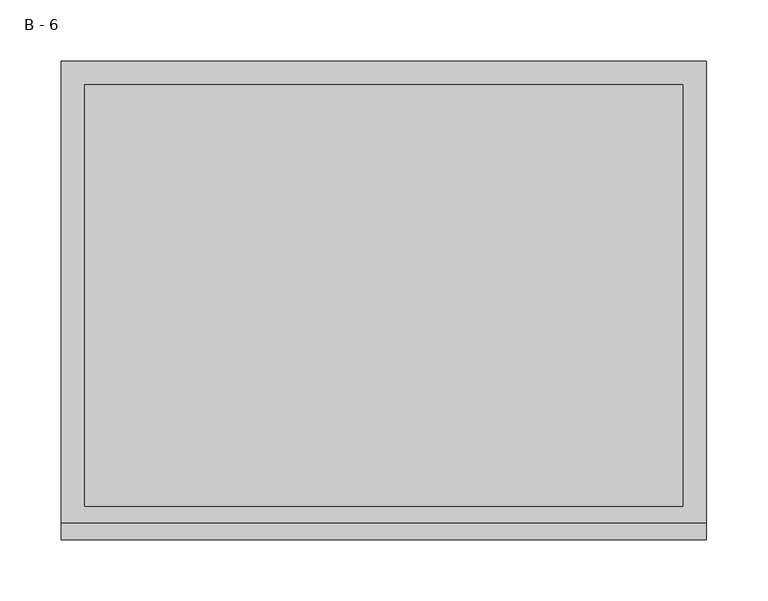
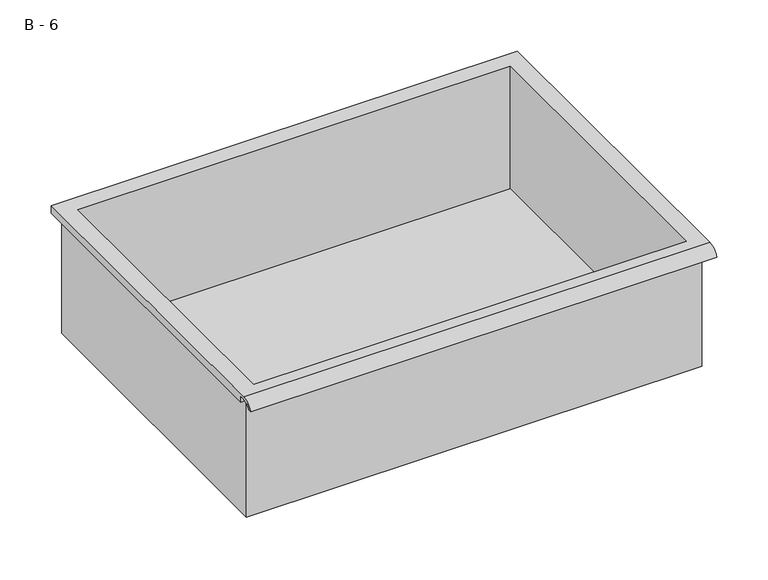
"""IFC4 building model written with IfcOpenShell, lengths in millimetres: furniture geometry, B - 6."""

import ifcopenshell
import ifcopenshell.guid

model = None  # the IFC model being written
_history = None  # IfcOwnerHistory: only IFC2X3 demands one
_inside = {}  # id of a spatial element -> (the spatial element, [elements in it])
_under = {}  # id of a project, library or spatial element -> (it, [spatial elements below it])
_declared = {}  # id of a project -> (the project, [libraries it declares])
_typed = {}  # id of a type object -> (the type object, [elements of that type])
_made_of = {}  # id of a material, layer set ... -> (it, [elements and type objects made of it])


def new_model(schema):
    """Start an empty IFC model of exactly this schema.

    Asked for "IFC4X3", IfcOpenShell would pick the latest addendum, in which some entities
    have other attributes; the version numbers below select the first issue.
    IFC2X3 requires an IfcOwnerHistory on every rooted entity: one is made here for all.
    """
    global model, _history
    if schema == "IFC4X3":
        model = ifcopenshell.file(schema_version=(4, 3, 0, 0))
    else:
        model = ifcopenshell.file(schema=schema)
    _inside.clear()
    _under.clear()
    _declared.clear()
    _typed.clear()
    _made_of.clear()
    _history = None
    if model.schema == "IFC2X3":
        org = make("IfcOrganization", Name="unknown")
        user = make(
            "IfcPersonAndOrganization",
            ThePerson=make("IfcPerson", FamilyName="unknown"),
            TheOrganization=org,
        )
        app = make(
            "IfcApplication",
            ApplicationDeveloper=org,
            Version="unknown",
            ApplicationFullName="unknown",
            ApplicationIdentifier="unknown",
        )
        _history = make(
            "IfcOwnerHistory",
            OwningUser=user,
            OwningApplication=app,
            ChangeAction="ADDED",
            CreationDate=0,
        )
    return model


def make(cls, **values):
    """One entity of the class cls with the attributes given. An attribute that is None is left unset."""
    return model.create_entity(
        cls, **{name: value for name, value in values.items() if value is not None}
    )


def rooted(cls, **values):
    """An entity with a GlobalId (a new one), such as an element, a storey or a relation."""
    return make(cls, GlobalId=ifcopenshell.guid.new(), OwnerHistory=_history, **values)


def si_unit(unit_type, name, prefix=None):
    """IfcSIUnit, for example si_unit("LENGTHUNIT", "METRE", prefix="MILLI")."""
    return make("IfcSIUnit", UnitType=unit_type, Prefix=prefix, Name=name)


def assignment(units):
    """IfcUnitAssignment: the units of a project."""
    return None if units is None else make("IfcUnitAssignment", Units=units)


def point(xyz):
    """IfcCartesianPoint."""
    return None if xyz is None else make("IfcCartesianPoint", Coordinates=xyz)


def direction(xyz):
    """IfcDirection."""
    return None if xyz is None else make("IfcDirection", DirectionRatios=xyz)


def frame(location, z_axis=None, x_axis=None):
    """IfcAxis2Placement3D, a coordinate frame: its origin and axes. An axis left out is left unset."""
    return make(
        "IfcAxis2Placement3D",
        Location=point(location),
        Axis=direction(z_axis),
        RefDirection=direction(x_axis),
    )


def origin():
    """The frame at (0, 0, 0) with its axes left unset."""
    return frame((0.0, 0.0, 0.0))


def place(relative_to, where):
    """IfcLocalPlacement: puts the frame where relative to a parent placement (None: the world)."""
    return make(
        "IfcLocalPlacement", PlacementRelTo=relative_to, RelativePlacement=where
    )


def context(
    kind, dimensions, precision=None, world=None, true_north=None, identifier=None
):
    """IfcGeometricRepresentationContext, for example the 3D "Model" context."""
    return make(
        "IfcGeometricRepresentationContext",
        ContextIdentifier=identifier,
        ContextType=kind,
        CoordinateSpaceDimension=dimensions,
        Precision=precision,
        WorldCoordinateSystem=world,
        TrueNorth=true_north,
    )


def project(units=None, contexts=None):
    """IfcProject with its units and contexts."""
    return rooted(
        "IfcProject",
        Name="project",
        RepresentationContexts=contexts,
        UnitsInContext=assignment(units),
    )


def spatial(cls, under=None, at=None, **own):
    """A site, building, storey or space (cls), placed at a placement, below another one or the project."""
    s = rooted(cls, ObjectPlacement=at, **own)
    if under is not None:
        _under.setdefault(under.id(), (under, []))[1].append(s)
    return s


def polyline(points):
    """IfcPolyline through the points."""
    return make("IfcPolyline", Points=[point(p) for p in points])


def circle_curve(where, radius):
    """IfcCircle in the frame where."""
    return make("IfcCircle", Position=where, Radius=radius)


def shape(context_of_items, identifier, shape_type, items):
    """IfcShapeRepresentation: the items that make up one representation, for example the "Body"."""
    return make(
        "IfcShapeRepresentation",
        ContextOfItems=context_of_items,
        RepresentationIdentifier=identifier,
        RepresentationType=shape_type,
        Items=items,
    )


def source(mapping_origin, context_of_items, identifier, shape_type, items):
    """IfcRepresentationMap: a shape defined once, which mapped items show again and again."""
    return make(
        "IfcRepresentationMap",
        MappingOrigin=mapping_origin,
        MappedRepresentation=shape(context_of_items, identifier, shape_type, items),
    )


def transform(
    local_origin,
    x_axis=None,
    y_axis=None,
    z_axis=None,
    scale=None,
    scale2=None,
    scale3=None,
    uniform=True,
):
    """IfcCartesianTransformationOperator3D, or its non-uniform kind. x_axis, y_axis, z_axis: its Axis1, 2, 3."""
    if uniform:
        return make(
            "IfcCartesianTransformationOperator3D",
            Axis1=direction(x_axis),
            Axis2=direction(y_axis),
            LocalOrigin=point(local_origin),
            Scale=scale,
            Axis3=direction(z_axis),
        )
    return make(
        "IfcCartesianTransformationOperator3DnonUniform",
        Axis1=direction(x_axis),
        Axis2=direction(y_axis),
        LocalOrigin=point(local_origin),
        Scale=scale,
        Axis3=direction(z_axis),
        Scale2=scale2,
        Scale3=scale3,
    )


def mapped(mapping_source, mapping_target):
    """IfcMappedItem: shows the shape of a source again, moved by a transform."""
    return make(
        "IfcMappedItem", MappingSource=mapping_source, MappingTarget=mapping_target
    )


def made_of(thing, what):
    """Note that an element or type object is made of a material, layer set ...; save() writes the relation."""
    if what is not None:
        _made_of.setdefault(what.id(), (what, []))[1].append(thing)
    return thing


def element(
    cls,
    number,
    at=None,
    inside=None,
    cuts=None,
    type_object=None,
    material=None,
    context=None,
    identifier="Body",
    shape_type=None,
    held_by="IfcProductDefinitionShape",
    body=None,
    shapes=None,
    **own,
):
    """One element of the class cls, such as IfcWall. Its Tag is "e" and its number.

    at: its placement. inside: the storey or other place that contains it. cuts: it is an
    opening in that element (IfcRelVoidsElement). A single representation is given by context,
    identifier, shape_type and body (its items); several are given by shapes. held_by: the class
    of the entity that holds the representations. save() writes the other relations.
    """
    e = rooted(cls, Tag="e%d" % number, ObjectPlacement=at, **own)
    if body is not None:
        shapes = [shape(context, identifier, shape_type, body)]
    if shapes is not None:
        e.Representation = make(held_by, Representations=shapes)
    if inside is not None:
        _inside.setdefault(inside.id(), (inside, []))[1].append(e)
    if cuts is not None:
        rooted(
            "IfcRelVoidsElement", RelatingBuildingElement=cuts, RelatedOpeningElement=e
        )
    if type_object is not None:
        _typed.setdefault(type_object.id(), (type_object, []))[1].append(e)
    return made_of(e, material)


def aggregate(whole, parts):
    """IfcRelAggregates: a whole, such as a stair, and the parts it consists of."""
    return rooted("IfcRelAggregates", RelatingObject=whole, RelatedObjects=parts)


def save(model, path):
    """Write the relations noted so far, then the file.

    IfcRelAggregates (storeys below a building ...), IfcRelContainedInSpatialStructure (elements
    in a storey), IfcRelDefinesByType, IfcRelAssociatesMaterial and IfcRelDeclares: one each for
    every whole, place, type object, material and project.
    """
    for whole, parts in _under.values():
        aggregate(whole, parts)
    for where, things in _inside.values():
        rooted(
            "IfcRelContainedInSpatialStructure",
            RelatedElements=things,
            RelatingStructure=where,
        )
    for kind, things in _typed.values():
        rooted("IfcRelDefinesByType", RelatedObjects=things, RelatingType=kind)
    for what, things in _made_of.values():
        rooted("IfcRelAssociatesMaterial", RelatedObjects=things, RelatingMaterial=what)
    for by, libraries in _declared.values():
        rooted("IfcRelDeclares", RelatingContext=by, RelatedDefinitions=libraries)
    model.write(path)


def plane_surface(at):
    """IfcPlane: the flat surface through the origin of the frame at, square to its z axis."""
    return make("IfcPlane", Position=at)


def cylinder_surface(at, radius):
    """IfcCylindricalSurface: all points at the distance radius from the z axis of the frame at."""
    return make("IfcCylindricalSurface", Position=at, Radius=radius)


def revolved_surface(curve, axis_point, axis_direction):
    """IfcSurfaceOfRevolution: the curve turned about the line through axis_point along axis_direction."""
    return make(
        "IfcSurfaceOfRevolution",
        SweptCurve=make("IfcArbitraryOpenProfileDef", ProfileType="CURVE", Curve=curve),
        AxisPosition=make("IfcAxis1Placement", Location=point(axis_point), Axis=direction(axis_direction)),
    )


def advanced_brep(points, edges, surfaces, faces):
    """IfcAdvancedBrep: a solid bounded by faces that lie on surfaces and meet in shared edges.

    An edge is (start, end): straight between two places in points (the first is 0);
    or (start, end, curve); or (start, end, curve, False) where it runs against its curve.
    A face is (place in surfaces, loops), or (place, loops, False) where it looks against
    its surface's normal. A loop lists edges by number (the first is 1), with a minus sign
    where the edge is run from its end to its start. The first loop is the outer one.
    """
    corners = [point(p) for p in points]
    vertices = [make("IfcVertexPoint", VertexGeometry=c) for c in corners]
    made = []
    for start, end, *more in edges:
        made.append(
            make(
                "IfcEdgeCurve",
                EdgeStart=vertices[start],
                EdgeEnd=vertices[end],
                EdgeGeometry=more[0] if more else make("IfcPolyline", Points=[corners[start], corners[end]]),
                SameSense=more[1] if len(more) > 1 else True,
            )
        )
    hull = []
    for where, loops, *sense in faces:
        bounds = []
        for j, loop in enumerate(loops):
            ring = [make("IfcOrientedEdge", EdgeElement=made[abs(k) - 1], Orientation=k > 0) for k in loop]
            bounds.append(
                make(
                    "IfcFaceOuterBound" if j == 0 else "IfcFaceBound",
                    Bound=make("IfcEdgeLoop", EdgeList=ring),
                    Orientation=True,
                )
            )
        hull.append(make("IfcAdvancedFace", Bounds=bounds, FaceSurface=surfaces[where], SameSense=sense[0] if sense else True))
    return make("IfcAdvancedBrep", Outer=make("IfcClosedShell", CfsFaces=hull))


def b_6_9325e318(model_context):
    return source(origin(), model_context, "Body", "AdvancedBrep", [
        advanced_brep(
        [(-257.1076517, -176.2125, 227.01504), (257.2423483, -176.2125, 227.01504), (257.2423483, -176.2125, 366.71504), (263.5923483, -176.2125, 366.71504), (263.5923483, -176.2125, 373.0221741), (-263.4576517, -176.2125, 373.0221741), (-263.4576517, -176.2125, 366.71504), (-257.1076517, -176.2125, 366.71504), (257.2423483, 185.7375, 227.01504), (-257.1076517, 185.7375, 227.01504), (-257.1076517, 185.7375, 366.71504), (257.2423483, 185.7375, 366.71504), (263.5923483, -181.6070544, 376.24004), (263.5923483, 195.2625, 376.24004), (-263.4576517, 195.2625, 376.24004), (-263.4576517, -181.6070544, 376.24004), (244.5423483, -168.275, 376.24004), (-244.4076517, -168.275, 376.24004), (-244.4076517, 176.2125, 376.24004), (244.5423483, 176.2125, 376.24004), (263.5923483, -195.2625, 366.71504), (263.5923483, -191.8280601, 366.71504), (263.5923483, -180.4714815, 373.0221741), (263.5923483, 195.2625, 366.71504), (-263.4576517, 195.2625, 366.71504), (-263.4576517, -180.4714815, 373.0221741), (-263.4576517, -191.8280601, 366.71504), (-263.4576517, -195.2625, 366.71504), (-244.4076517, -168.275, 230.0412119), (244.5423483, -168.275, 230.0412119), (244.5423483, 176.2125, 230.0412119), (-244.4076517, 176.2125, 230.0412119)],
        [
            (0, 1),
            (1, 2),
            (2, 3),
            (3, 4),
            (4, 5),
            (5, 6),
            (6, 7),
            (7, 0),
            (8, 9),
            (9, 10),
            (10, 11),
            (11, 8),
            (0, 9),
            (8, 1),
            (11, 2),
            (12, 13),
            (13, 14),
            (14, 15),
            (15, 12),
            (16, 17),
            (17, 18),
            (18, 19),
            (19, 16),
            (7, 10),
            (12, 20, circle_curve(frame((263.5923483, -181.6070544, 361.6890259), z_axis=(1.0, 0.0, 0.0), x_axis=(0.0, 1.0, 0.0)), 14.5510141)),
            (20, 21),
            (21, 22, circle_curve(frame((263.5923483, -181.6070544, 361.6890259), z_axis=(-1.0, 0.0, 0.0), x_axis=(0.0, 1.0, 0.0)), 11.3898979)),
            (22, 4),
            (3, 23),
            (23, 13),
            (14, 24),
            (24, 6),
            (5, 25),
            (25, 26, circle_curve(frame((-263.4576517, -181.6070544, 361.6890259), z_axis=(1.0, 0.0, 0.0), x_axis=(0.0, 1.0, 0.0)), 11.3898979)),
            (26, 27),
            (27, 15, circle_curve(frame((-263.4576517, -181.6070544, 361.6890259), z_axis=(-1.0, 0.0, 0.0), x_axis=(0.0, 1.0, 0.0)), 14.5510141)),
            (27, 20),
            (26, 21),
            (25, 22),
            (24, 23),
            (28, 29),
            (29, 30),
            (30, 31),
            (31, 28),
            (28, 17),
            (16, 29),
            (19, 30),
            (18, 31),
        ],
        [
            plane_surface(frame((257.2423483, -176.2125, 227.01504), z_axis=(0.0, -1.0, 0.0), x_axis=(1.0, 0.0, 0.0))),
            plane_surface(frame((257.2423483, 185.7375, 227.01504), z_axis=(0.0, 1.0, 0.0), x_axis=(-1.0, 0.0, 0.0))),
            plane_surface(frame((-257.1076517, -176.2125, 227.01504), z_axis=(0.0, 0.0, -1.0), x_axis=(0.0, 1.0, 0.0))),
            plane_surface(frame((257.2423483, -176.2125, 227.01504), z_axis=(1.0, 0.0, 0.0), x_axis=(0.0, 1.0, 0.0))),
            plane_surface(frame((257.2423483, -176.2125, 376.24004), z_axis=(0.0, 0.0, 1.0), x_axis=(0.0, 1.0, 0.0))),
            plane_surface(frame((-257.1076517, -176.2125, 376.24004), z_axis=(-1.0, 0.0, 0.0), x_axis=(0.0, 1.0, 0.0))),
            plane_surface(frame((263.5923483, 195.2625, 376.24004), z_axis=(1.0, 0.0, 0.0), x_axis=(0.0, -1.0, 0.0))),
            plane_surface(frame((-263.4576517, 195.2625, 376.24004), z_axis=(-1.0, 0.0, 0.0), x_axis=(0.0, 1.0, 0.0))),
            cylinder_surface(frame((-263.4576517, -181.6070544, 361.6890259), z_axis=(1.0, 0.0, 0.0), x_axis=(0.0, 1.0, 0.0)), 14.5510141),
            plane_surface(frame((263.5923483, -195.2625, 366.71504), z_axis=(0.0, -7.271527215961243e-12, -1.0), x_axis=(-1.0, 0.0, 0.0))),
            revolved_surface(polyline([(-263.4576517, -170.21715650000002, 361.6890259), (263.59234829999997, -170.21715650000002, 361.6890259)]), (-263.4576517, -181.6070544, 361.6890259), (-1.0, 0.0, 0.0)),
            plane_surface(frame((263.5923483, -180.4714815, 373.0221741), z_axis=(0.0, -1.800442867376691e-11, -1.0), x_axis=(-1.0, 0.0, 0.0))),
            plane_surface(frame((263.5923483, -176.2125, 366.71504), z_axis=(0.0, 0.0, -1.0), x_axis=(-1.0, 0.0, 0.0))),
            plane_surface(frame((263.5923483, 195.2625, 366.71504), z_axis=(0.0, 1.0, 0.0), x_axis=(-1.0, 0.0, 0.0))),
            plane_surface(frame((244.5423483, -168.275, 230.0412119), z_axis=(0.0, 0.0, 1.0), x_axis=(-1.0, 0.0, 0.0))),
            plane_surface(frame((-244.4076517, -168.275, 376.24004), z_axis=(0.0, 1.0, 0.0), x_axis=(0.0, 0.0, -1.0))),
            plane_surface(frame((244.5423483, -168.275, 376.24004), z_axis=(-1.0, 0.0, 0.0), x_axis=(0.0, 0.0, -1.0))),
            plane_surface(frame((244.5423483, 176.2125, 376.24004), z_axis=(0.0, -1.0, 0.0), x_axis=(0.0, 0.0, -1.0))),
            plane_surface(frame((-244.4076517, 176.2125, 376.24004), z_axis=(1.0, 0.0, 0.0), x_axis=(0.0, 0.0, -1.0))),
        ],
        [
            (0, [[1, 2, 3, 4, 5, 6, 7, 8]]),
            (1, [[9, 10, 11, 12]]),
            (2, [[-1, 13, -9, 14]]),
            (3, [[-14, -12, 15, -2]]),
            (4, [[16, 17, 18, 19], [20, 21, 22, 23]]),
            (5, [[-13, -8, 24, -10]]),
            (6, [[-16, 25, 26, 27, 28, -4, 29, 30]]),
            (7, [[31, 32, -6, 33, 34, 35, 36, -18]]),
            (8, [[-25, -19, -36, 37]]),
            (9, [[-26, -37, -35, 38]]),
            (10, [[-27, -38, -34, 39]]),
            (11, [[-28, -39, -33, -5]]),
            (12, [[-29, -3, -15, -11, -24, -7, -32, 40]]),
            (13, [[-30, -40, -31, -17]]),
            (14, [[41, 42, 43, 44]]),
            (15, [[-41, 45, -20, 46]]),
            (16, [[-42, -46, -23, 47]]),
            (17, [[-43, -47, -22, 48]]),
            (18, [[-44, -48, -21, -45]]),
        ],
    ),
    ])


if __name__ == "__main__":
    model = new_model("IFC4")
    model_context = context("Model", 3, world=origin())
    ifc_project = project(units=[si_unit("LENGTHUNIT", "METRE", prefix="MILLI")], contexts=[model_context])
    site = spatial("IfcSite", under=ifc_project)
    building = spatial("IfcBuilding", under=site)
    placement = place(None, origin())
    b_6_shape = b_6_9325e318(model_context)
    element("IfcFurniture", 1, ObjectType="B - 6", at=placement, inside=building, context=model_context, shape_type="MappedRepresentation", body=[
        mapped(b_6_shape, transform((0.0, 0.0, 0.0), x_axis=(1.0, 0.0, 0.0), y_axis=(0.0, 1.0, 0.0), z_axis=(0.0, 0.0, 1.0))),
    ])
    save(model, "model.ifc")
